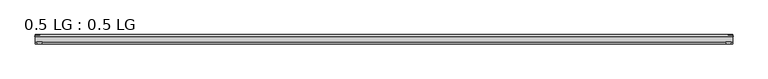
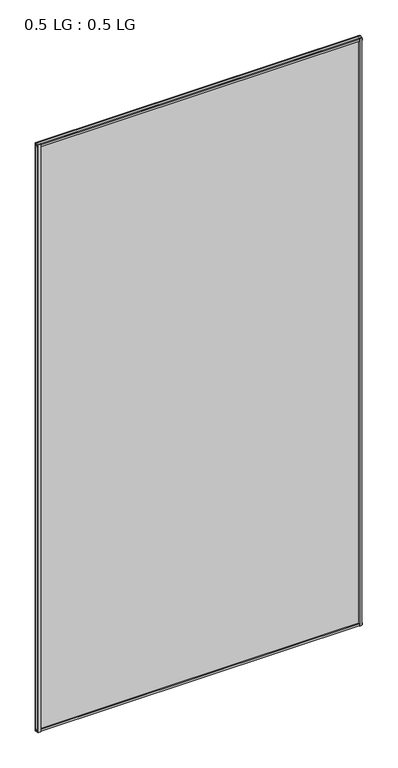
"""IFC4 building model written with IfcOpenShell, lengths in millimetres: plate geometry, 0.5 LG : 0.5 LG."""

from ifc_helpers import new_model, si_unit, frame, origin, origin_with_axes, place, context, project, spatial, polyline, outline, extrude, source, transform, mapped, element, save


def plate_0_5_lg_0_5_lg_499103d6(model_context):
    return source(origin(), model_context, "Body", "SweptSolid", [
        extrude(outline(polyline([(-843.2139513, 16.9767247), (-844.4235412, 21.828125), (-830.8660345, 21.828125), (-832.0756244, 16.9767247), (-843.2139513, 16.9767247)])), origin_with_axes(), (0.0, 0.0, 1.0), 3241.1863953),
        extrude(outline(polyline([(-848.6599387, 34.680525), (-847.4221258, 39.4557249), (-836.3096173, 39.4557249), (-835.0958142, 34.680525), (-848.6599387, 34.680525)])), origin_with_axes(), (0.0, 0.0, 1.0), 3241.1863953),
        extrude(outline(polyline([(843.2139513, 16.9767247), (832.0756244, 16.9767247), (830.8660345, 21.828125), (844.4235412, 21.828125), (843.2139513, 16.9767247)])), origin_with_axes(), (0.0, 0.0, 1.0), 3241.1863953),
        extrude(outline(polyline([(848.6599387, 34.680525), (835.0958142, 34.680525), (836.3096173, 39.4557249), (847.4221258, 39.4557249), (848.6599387, 34.680525)])), origin_with_axes(), (0.0, 0.0, 1.0), 3241.1863953),
        extrude(outline(polyline([(39.4569539, 11.124921), (39.4569539, 0.0005878), (34.680525, -1.2138382), (34.680525, 12.3392211), (39.4569539, 11.124921)])), frame((-847.4221258, 0.0, 0.0), z_axis=(1.0, 0.0, 0.0), x_axis=(0.0, 1.0, 0.0)), (0.0, 0.0, 1.0), 1694.8442516),
        extrude(outline(polyline([(16.9767101, 13.8303088), (21.828125, 15.0636853), (21.828125, 1.4714303), (16.9767101, 2.704584), (16.9767101, 13.8303088)])), frame((-847.4221258, 0.0, 0.0), z_axis=(1.0, 0.0, 0.0), x_axis=(0.0, 1.0, 0.0)), (0.0, 0.0, 1.0), 1694.8442516),
        extrude(outline(polyline([(39.4569539, 3230.0614743), (34.680525, 3228.8471742), (34.680525, 3242.4002334), (39.4569539, 3241.1858074), (39.4569539, 3230.0614743)])), frame((-847.4221258, 0.0, 0.0), z_axis=(1.0, 0.0, 0.0), x_axis=(0.0, 1.0, 0.0)), (0.0, 0.0, 1.0), 1694.8442516),
        extrude(outline(polyline([(16.9767101, 3227.3560864), (16.9767101, 3238.4818113), (21.828125, 3239.7149649), (21.828125, 3226.1227099), (16.9767101, 3227.3560864)])), frame((-847.4221258, 0.0, 0.0), z_axis=(1.0, 0.0, 0.0), x_axis=(0.0, 1.0, 0.0)), (0.0, 0.0, 1.0), 1694.8442516),
        extrude(outline(polyline([(847.4221258, 34.680525), (847.4221258, 21.828125), (-847.4221258, 21.828125), (-847.4221258, 34.680525), (847.4221258, 34.680525)])), origin_with_axes(), (0.0, 0.0, 1.0), 3241.1863953),
    ])


if __name__ == "__main__":
    model = new_model("IFC4")
    model_context = context("Model", 3, world=origin())
    ifc_project = project(units=[si_unit("LENGTHUNIT", "METRE", prefix="MILLI")], contexts=[model_context])
    site = spatial("IfcSite", under=ifc_project)
    building = spatial("IfcBuilding", under=site)
    placement = place(None, origin())
    plate_0_5_lg_0_5_lg_shape = plate_0_5_lg_0_5_lg_499103d6(model_context)
    element("IfcPlate", 1, ObjectType="0.5 LG : 0.5 LG", at=placement, inside=building, context=model_context, shape_type="MappedRepresentation", body=[
        mapped(plate_0_5_lg_0_5_lg_shape, transform((0.0, 0.0, 0.0), x_axis=(1.0, 0.0, 0.0), y_axis=(0.0, 1.0, 0.0), z_axis=(0.0, 0.0, 1.0))),
    ])
    save(model, "model.ifc")
